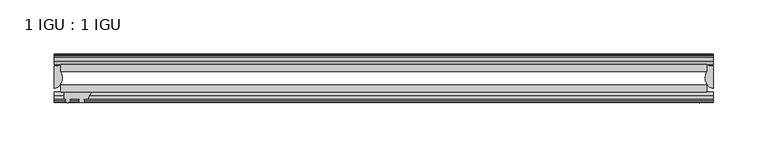
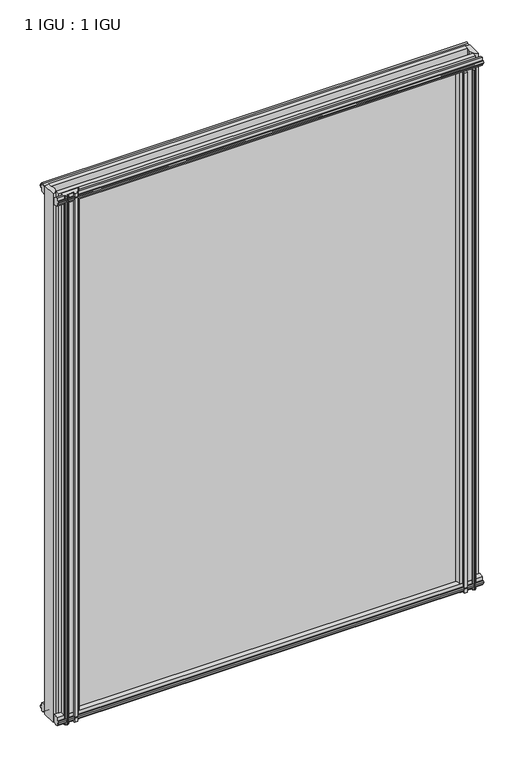
"""IFC4 building model written with IfcOpenShell, lengths in millimetres: plate geometry, 1 IGU : 1 IGU."""

import ifcopenshell
import ifcopenshell.guid

model = None  # the IFC model being written
_history = None  # IfcOwnerHistory: only IFC2X3 demands one
_inside = {}  # id of a spatial element -> (the spatial element, [elements in it])
_under = {}  # id of a project, library or spatial element -> (it, [spatial elements below it])
_declared = {}  # id of a project -> (the project, [libraries it declares])
_typed = {}  # id of a type object -> (the type object, [elements of that type])
_made_of = {}  # id of a material, layer set ... -> (it, [elements and type objects made of it])


def new_model(schema):
    """Start an empty IFC model of exactly this schema.

    Asked for "IFC4X3", IfcOpenShell would pick the latest addendum, in which some entities
    have other attributes; the version numbers below select the first issue.
    IFC2X3 requires an IfcOwnerHistory on every rooted entity: one is made here for all.
    """
    global model, _history
    if schema == "IFC4X3":
        model = ifcopenshell.file(schema_version=(4, 3, 0, 0))
    else:
        model = ifcopenshell.file(schema=schema)
    _inside.clear()
    _under.clear()
    _declared.clear()
    _typed.clear()
    _made_of.clear()
    _history = None
    if model.schema == "IFC2X3":
        org = make("IfcOrganization", Name="unknown")
        user = make(
            "IfcPersonAndOrganization",
            ThePerson=make("IfcPerson", FamilyName="unknown"),
            TheOrganization=org,
        )
        app = make(
            "IfcApplication",
            ApplicationDeveloper=org,
            Version="unknown",
            ApplicationFullName="unknown",
            ApplicationIdentifier="unknown",
        )
        _history = make(
            "IfcOwnerHistory",
            OwningUser=user,
            OwningApplication=app,
            ChangeAction="ADDED",
            CreationDate=0,
        )
    return model


def make(cls, **values):
    """One entity of the class cls with the attributes given. An attribute that is None is left unset."""
    return model.create_entity(
        cls, **{name: value for name, value in values.items() if value is not None}
    )


def rooted(cls, **values):
    """An entity with a GlobalId (a new one), such as an element, a storey or a relation."""
    return make(cls, GlobalId=ifcopenshell.guid.new(), OwnerHistory=_history, **values)


def si_unit(unit_type, name, prefix=None):
    """IfcSIUnit, for example si_unit("LENGTHUNIT", "METRE", prefix="MILLI")."""
    return make("IfcSIUnit", UnitType=unit_type, Prefix=prefix, Name=name)


def assignment(units):
    """IfcUnitAssignment: the units of a project."""
    return None if units is None else make("IfcUnitAssignment", Units=units)


def point(xyz):
    """IfcCartesianPoint."""
    return None if xyz is None else make("IfcCartesianPoint", Coordinates=xyz)


def direction(xyz):
    """IfcDirection."""
    return None if xyz is None else make("IfcDirection", DirectionRatios=xyz)


def frame(location, z_axis=None, x_axis=None):
    """IfcAxis2Placement3D, a coordinate frame: its origin and axes. An axis left out is left unset."""
    return make(
        "IfcAxis2Placement3D",
        Location=point(location),
        Axis=direction(z_axis),
        RefDirection=direction(x_axis),
    )


def frame_2d(location, x_axis=None):
    """IfcAxis2Placement2D, a coordinate frame in the plane: its origin and x axis."""
    return make(
        "IfcAxis2Placement2D", Location=point(location), RefDirection=direction(x_axis)
    )


def origin():
    """The frame at (0, 0, 0) with its axes left unset."""
    return frame((0.0, 0.0, 0.0))


def place(relative_to, where):
    """IfcLocalPlacement: puts the frame where relative to a parent placement (None: the world)."""
    return make(
        "IfcLocalPlacement", PlacementRelTo=relative_to, RelativePlacement=where
    )


def context(
    kind, dimensions, precision=None, world=None, true_north=None, identifier=None
):
    """IfcGeometricRepresentationContext, for example the 3D "Model" context."""
    return make(
        "IfcGeometricRepresentationContext",
        ContextIdentifier=identifier,
        ContextType=kind,
        CoordinateSpaceDimension=dimensions,
        Precision=precision,
        WorldCoordinateSystem=world,
        TrueNorth=true_north,
    )


def project(units=None, contexts=None):
    """IfcProject with its units and contexts."""
    return rooted(
        "IfcProject",
        Name="project",
        RepresentationContexts=contexts,
        UnitsInContext=assignment(units),
    )


def spatial(cls, under=None, at=None, **own):
    """A site, building, storey or space (cls), placed at a placement, below another one or the project."""
    s = rooted(cls, ObjectPlacement=at, **own)
    if under is not None:
        _under.setdefault(under.id(), (under, []))[1].append(s)
    return s


def polyline(points):
    """IfcPolyline through the points."""
    return make("IfcPolyline", Points=[point(p) for p in points])


def circle_curve(where, radius):
    """IfcCircle in the frame where."""
    return make("IfcCircle", Position=where, Radius=radius)


def ellipse_curve(where, semi_axis1, semi_axis2):
    """IfcEllipse in the frame where."""
    return make(
        "IfcEllipse", Position=where, SemiAxis1=semi_axis1, SemiAxis2=semi_axis2
    )


def trimmed(basis, trim1, trim2, sense, master):
    """IfcTrimmedCurve: the piece of a basis curve between two trims."""
    return make(
        "IfcTrimmedCurve",
        BasisCurve=basis,
        Trim1=trim1,
        Trim2=trim2,
        SenseAgreement=sense,
        MasterRepresentation=master,
    )


def segment(curve, same_sense, transition):
    """IfcCompositeCurveSegment."""
    return make(
        "IfcCompositeCurveSegment",
        Transition=transition,
        SameSense=same_sense,
        ParentCurve=curve,
    )


def composite_curve(segments, self_intersect=None):
    """IfcCompositeCurve: segments joined end to end."""
    return make("IfcCompositeCurve", Segments=segments, SelfIntersect=self_intersect)


def outline(outer, holes=None, kind="AREA"):
    """IfcArbitraryClosedProfileDef: a profile drawn as a closed curve; with holes, ...WithVoids."""
    if holes is None:
        return make("IfcArbitraryClosedProfileDef", ProfileType=kind, OuterCurve=outer)
    return make(
        "IfcArbitraryProfileDefWithVoids",
        ProfileType=kind,
        OuterCurve=outer,
        InnerCurves=holes,
    )


def extrude(swept, where, along, depth):
    """IfcExtrudedAreaSolid: the profile swept, set in the frame where, extruded along a direction by depth."""
    return make(
        "IfcExtrudedAreaSolid",
        SweptArea=swept,
        Position=where,
        ExtrudedDirection=direction(along),
        Depth=depth,
    )


def shape(context_of_items, identifier, shape_type, items):
    """IfcShapeRepresentation: the items that make up one representation, for example the "Body"."""
    return make(
        "IfcShapeRepresentation",
        ContextOfItems=context_of_items,
        RepresentationIdentifier=identifier,
        RepresentationType=shape_type,
        Items=items,
    )


def source(mapping_origin, context_of_items, identifier, shape_type, items):
    """IfcRepresentationMap: a shape defined once, which mapped items show again and again."""
    return make(
        "IfcRepresentationMap",
        MappingOrigin=mapping_origin,
        MappedRepresentation=shape(context_of_items, identifier, shape_type, items),
    )


def transform(
    local_origin,
    x_axis=None,
    y_axis=None,
    z_axis=None,
    scale=None,
    scale2=None,
    scale3=None,
    uniform=True,
):
    """IfcCartesianTransformationOperator3D, or its non-uniform kind. x_axis, y_axis, z_axis: its Axis1, 2, 3."""
    if uniform:
        return make(
            "IfcCartesianTransformationOperator3D",
            Axis1=direction(x_axis),
            Axis2=direction(y_axis),
            LocalOrigin=point(local_origin),
            Scale=scale,
            Axis3=direction(z_axis),
        )
    return make(
        "IfcCartesianTransformationOperator3DnonUniform",
        Axis1=direction(x_axis),
        Axis2=direction(y_axis),
        LocalOrigin=point(local_origin),
        Scale=scale,
        Axis3=direction(z_axis),
        Scale2=scale2,
        Scale3=scale3,
    )


def mapped(mapping_source, mapping_target):
    """IfcMappedItem: shows the shape of a source again, moved by a transform."""
    return make(
        "IfcMappedItem", MappingSource=mapping_source, MappingTarget=mapping_target
    )


def made_of(thing, what):
    """Note that an element or type object is made of a material, layer set ...; save() writes the relation."""
    if what is not None:
        _made_of.setdefault(what.id(), (what, []))[1].append(thing)
    return thing


def element(
    cls,
    number,
    at=None,
    inside=None,
    cuts=None,
    type_object=None,
    material=None,
    context=None,
    identifier="Body",
    shape_type=None,
    held_by="IfcProductDefinitionShape",
    body=None,
    shapes=None,
    **own,
):
    """One element of the class cls, such as IfcWall. Its Tag is "e" and its number.

    at: its placement. inside: the storey or other place that contains it. cuts: it is an
    opening in that element (IfcRelVoidsElement). A single representation is given by context,
    identifier, shape_type and body (its items); several are given by shapes. held_by: the class
    of the entity that holds the representations. save() writes the other relations.
    """
    e = rooted(cls, Tag="e%d" % number, ObjectPlacement=at, **own)
    if body is not None:
        shapes = [shape(context, identifier, shape_type, body)]
    if shapes is not None:
        e.Representation = make(held_by, Representations=shapes)
    if inside is not None:
        _inside.setdefault(inside.id(), (inside, []))[1].append(e)
    if cuts is not None:
        rooted(
            "IfcRelVoidsElement", RelatingBuildingElement=cuts, RelatedOpeningElement=e
        )
    if type_object is not None:
        _typed.setdefault(type_object.id(), (type_object, []))[1].append(e)
    return made_of(e, material)


def aggregate(whole, parts):
    """IfcRelAggregates: a whole, such as a stair, and the parts it consists of."""
    return rooted("IfcRelAggregates", RelatingObject=whole, RelatedObjects=parts)


def save(model, path):
    """Write the relations noted so far, then the file.

    IfcRelAggregates (storeys below a building ...), IfcRelContainedInSpatialStructure (elements
    in a storey), IfcRelDefinesByType, IfcRelAssociatesMaterial and IfcRelDeclares: one each for
    every whole, place, type object, material and project.
    """
    for whole, parts in _under.values():
        aggregate(whole, parts)
    for where, things in _inside.values():
        rooted(
            "IfcRelContainedInSpatialStructure",
            RelatedElements=things,
            RelatingStructure=where,
        )
    for kind, things in _typed.values():
        rooted("IfcRelDefinesByType", RelatedObjects=things, RelatingType=kind)
    for what, things in _made_of.values():
        rooted("IfcRelAssociatesMaterial", RelatedObjects=things, RelatingMaterial=what)
    for by, libraries in _declared.values():
        rooted("IfcRelDeclares", RelatingContext=by, RelatedDefinitions=libraries)
    model.write(path)


def plane_surface(at):
    """IfcPlane: the flat surface through the origin of the frame at, square to its z axis."""
    return make("IfcPlane", Position=at)


def cylinder_surface(at, radius):
    """IfcCylindricalSurface: all points at the distance radius from the z axis of the frame at."""
    return make("IfcCylindricalSurface", Position=at, Radius=radius)


def revolved_surface(curve, axis_point, axis_direction):
    """IfcSurfaceOfRevolution: the curve turned about the line through axis_point along axis_direction."""
    return make(
        "IfcSurfaceOfRevolution",
        SweptCurve=make("IfcArbitraryOpenProfileDef", ProfileType="CURVE", Curve=curve),
        AxisPosition=make("IfcAxis1Placement", Location=point(axis_point), Axis=direction(axis_direction)),
    )


def extruded_surface(curve, direction_of_extrusion, depth):
    """IfcSurfaceOfLinearExtrusion: the curve pushed along a direction by depth."""
    return make(
        "IfcSurfaceOfLinearExtrusion",
        SweptCurve=make("IfcArbitraryOpenProfileDef", ProfileType="CURVE", Curve=curve),
        ExtrudedDirection=direction(direction_of_extrusion),
        Depth=depth,
    )


def advanced_brep(points, edges, surfaces, faces):
    """IfcAdvancedBrep: a solid bounded by faces that lie on surfaces and meet in shared edges.

    An edge is (start, end): straight between two places in points (the first is 0);
    or (start, end, curve); or (start, end, curve, False) where it runs against its curve.
    A face is (place in surfaces, loops), or (place, loops, False) where it looks against
    its surface's normal. A loop lists edges by number (the first is 1), with a minus sign
    where the edge is run from its end to its start. The first loop is the outer one.
    """
    corners = [point(p) for p in points]
    vertices = [make("IfcVertexPoint", VertexGeometry=c) for c in corners]
    made = []
    for start, end, *more in edges:
        made.append(
            make(
                "IfcEdgeCurve",
                EdgeStart=vertices[start],
                EdgeEnd=vertices[end],
                EdgeGeometry=more[0] if more else make("IfcPolyline", Points=[corners[start], corners[end]]),
                SameSense=more[1] if len(more) > 1 else True,
            )
        )
    hull = []
    for where, loops, *sense in faces:
        bounds = []
        for j, loop in enumerate(loops):
            ring = [make("IfcOrientedEdge", EdgeElement=made[abs(k) - 1], Orientation=k > 0) for k in loop]
            bounds.append(
                make(
                    "IfcFaceOuterBound" if j == 0 else "IfcFaceBound",
                    Bound=make("IfcEdgeLoop", EdgeList=ring),
                    Orientation=True,
                )
            )
        hull.append(make("IfcAdvancedFace", Bounds=bounds, FaceSurface=surfaces[where], SameSense=sense[0] if sense else True))
    return make("IfcAdvancedBrep", Outer=make("IfcClosedShell", CfsFaces=hull))


def plate_1_igu_1_igu_51b72925(model_context):
    return source(origin(), model_context, "Body", "SolidModel", [
        extrude(outline(polyline([(-298.45, -38.6468937), (298.45, -38.6468937), (298.45, -44.9460938), (-298.45, -44.9460938), (-298.45, -38.6468937)])), frame((0.0, 0.0, -12.7), z_axis=(0.0, 0.0, 1.0), x_axis=(1.0, 0.0, 0.0)), (0.0, 0.0, 1.0), 800.0872996),
        extrude(outline(polyline([(-298.45, -19.5460937), (298.45, -19.5460937), (298.45, -25.8960938), (-298.45, -25.8960938), (-298.45, -19.5460937)])), frame((0.0, 0.0, -12.7), z_axis=(0.0, 0.0, 1.0), x_axis=(1.0, 0.0, 0.0)), (0.0, 0.0, 1.0), 800.0872996),
        advanced_brep(
        [(304.8, -21.1709383, -12.4587), (304.8, -41.5384061, -12.4587), (297.2776629, -32.2460938, -12.4587), (298.45, -25.8452938, -12.4587), (298.45, -19.5460938, -12.4587), (304.8, -21.1709383, 787.3872996), (298.45, -19.5460938, 787.3872996), (298.45, -25.8452938, 787.3872996), (297.2776629, -32.2460938, 787.3872996), (304.8, -41.5384061, 787.3872996)],
        [
            (0, 1),
            (1, 2, ellipse_curve(frame((304.8, -32.2460938, -12.4587), z_axis=(0.0, 0.0, -1.0), x_axis=(0.0, -1.0, 0.0)), 9.2923124, 7.5223371)),
            (2, 3, circle_curve(frame((315.3375763, -32.2460938, -12.4587), z_axis=(0.0, 0.0, -1.0), x_axis=(1.0, 0.0, 0.0)), 18.0599135)),
            (3, 4),
            (4, 0, circle_curve(frame((304.8, -7.950406, -12.4587), z_axis=(0.0, 0.0, 1.0), x_axis=(1.0, 0.0, 0.0)), 13.2205323)),
            (5, 6, circle_curve(frame((304.8, -7.950406, 787.3872996), z_axis=(0.0, 0.0, -1.0), x_axis=(1.0, 0.0, 0.0)), 13.2205323)),
            (6, 7),
            (7, 8, circle_curve(frame((315.3375763, -32.2460938, 787.3872996), z_axis=(0.0, 0.0, 1.0), x_axis=(1.0, 0.0, 0.0)), 18.0599135)),
            (8, 9, ellipse_curve(frame((304.8, -32.2460938, 787.3872996), z_axis=(0.0, 0.0, 1.0), x_axis=(0.0, -1.0, 0.0)), 9.2923124, 7.5223371)),
            (9, 5),
            (1, 9),
            (8, 2),
            (7, 3),
            (6, 4),
            (5, 0),
        ],
        [
            plane_surface(frame((304.8, -13.1960938, -12.4587), z_axis=(0.0, 0.0, -1.0), x_axis=(0.0, 1.0, 0.0))),
            plane_surface(frame((304.8, -13.1960938, 787.3872996), z_axis=(0.0, 0.0, 1.0), x_axis=(0.0, 1.0, 0.0))),
            extruded_surface(trimmed(ellipse_curve(frame((304.8, -32.2460938, 787.3872996), z_axis=(0.0, 0.0, -1.0), x_axis=(0.0, -1.0, 0.0)), 9.2923124, 7.5223371), [point((304.8, -41.5384061, 787.3872996))], [point((297.2776629, -32.2460938, 787.3872996))], True, "CARTESIAN"), (0.0, 0.0, -799.8459996), 799.8459996),
            cylinder_surface(frame((315.3375763, -32.2460938, -12.4587), z_axis=(0.0, 0.0, -1.0), x_axis=(1.0, 0.0, 0.0)), 18.0599135),
            plane_surface(frame((298.45, -25.8452938, -12.4587), z_axis=(-1.0, 0.0, 0.0), x_axis=(0.0, 0.0, 1.0))),
            revolved_surface(polyline([(318.0205323, -7.950406, 787.3872996), (318.0205323, -7.950406, -12.4587)]), (304.8, -7.950406, -12.4587), (0.0, 0.0, 1.0)),
            plane_surface(frame((304.8, -21.1709383, -12.4587), z_axis=(1.0, 0.0, 0.0), x_axis=(0.0, 0.0, 1.0))),
        ],
        [
            (0, [[1, 2, 3, 4, 5]]),
            (1, [[6, 7, 8, 9, 10]]),
            (2, [[-2, 11, -9, 12]]),
            (3, [[-3, -12, -8, 13]]),
            (4, [[-4, -13, -7, 14]]),
            (5, [[-5, -14, -6, 15]]),
            (6, [[-1, -15, -10, -11]]),
        ],
    ),
        advanced_brep(
        [(-304.8, -21.1706006, -12.7), (-298.4513881, -19.5461438, -12.7), (-298.4513881, -25.8549351, -12.7), (-297.2760369, -32.21431, -12.7), (-304.8, -41.5384043, -12.7), (-304.8, -21.1706006, 787.3872996), (-304.8, -41.5384043, 787.3872996), (-297.2760369, -32.21431, 787.3872996), (-298.4513881, -25.8549351, 787.3872996), (-298.4513881, -19.5461438, 787.3872996)],
        [
            (0, 1, circle_curve(frame((-304.8005694, -7.9505008, -12.7), z_axis=(0.0, 0.0, 1.0), x_axis=(1.0, 0.0, 0.0)), 13.2200998)),
            (1, 2),
            (2, 3, circle_curve(frame((-315.3384012, -32.2643264, -12.7), z_axis=(0.0, 0.0, -1.0), x_axis=(1.0, 0.0, 0.0)), 18.0624336)),
            (3, 4, ellipse_curve(frame((-304.7991671, -32.2460921, -12.7), z_axis=(0.0, 0.0, -1.0), x_axis=(0.0, -1.0, 0.0)), 9.2923123, 7.5231742)),
            (4, 0),
            (5, 6),
            (6, 7, ellipse_curve(frame((-304.7991671, -32.2460921, 787.3872996), z_axis=(0.0, 0.0, 1.0), x_axis=(0.0, -1.0, 0.0)), 9.2923123, 7.5231742)),
            (7, 8, circle_curve(frame((-315.3384012, -32.2643264, 787.3872996), z_axis=(0.0, 0.0, 1.0), x_axis=(1.0, 0.0, 0.0)), 18.0624336)),
            (8, 9),
            (9, 5, circle_curve(frame((-304.8005694, -7.9505008, 787.3872996), z_axis=(0.0, 0.0, -1.0), x_axis=(1.0, 0.0, 0.0)), 13.2200998)),
            (0, 5),
            (9, 1),
            (8, 2),
            (7, 3),
            (6, 4),
        ],
        [
            plane_surface(frame((-304.8, -13.1960937, -12.7), z_axis=(0.0, 0.0, -1.0), x_axis=(0.0, 1.0, 0.0))),
            plane_surface(frame((-304.8, -13.1960937, 787.3872996), z_axis=(0.0, 0.0, 1.0), x_axis=(0.0, 1.0, 0.0))),
            revolved_surface(polyline([(-291.58046959999996, -7.9505008, 787.3872996), (-291.58046959999996, -7.9505008, -12.7)]), (-304.8005694, -7.9505008, -12.7), (0.0, 0.0, 1.0)),
            plane_surface(frame((-298.4513881, -19.5461438, -12.7), z_axis=(1.0, 0.0, 0.0), x_axis=(0.0, 0.0, 1.0))),
            cylinder_surface(frame((-315.3384012, -32.2643264, -12.7), z_axis=(0.0, 0.0, -1.0), x_axis=(1.0, 0.0, 0.0)), 18.0624336),
            extruded_surface(trimmed(ellipse_curve(frame((-304.7991671, -32.2460921, 787.3872996), z_axis=(0.0, 0.0, -1.0), x_axis=(0.0, -1.0, 0.0)), 9.2923123, 7.5231742), [point((-297.2760369, -32.21431, 787.3872996))], [point((-304.8, -41.5384043, 787.3872996))], True, "CARTESIAN"), (0.0, 0.0, -800.0872996), 800.0872996),
            plane_surface(frame((-304.8, -41.5384043, -12.7), z_axis=(-1.0, 0.0, 0.0), x_axis=(0.0, 0.0, 1.0))),
        ],
        [
            (0, [[1, 2, 3, 4, 5]]),
            (1, [[6, 7, 8, 9, 10]]),
            (2, [[-1, 11, -10, 12]]),
            (3, [[-2, -12, -9, 13]]),
            (4, [[-3, -13, -8, 14]]),
            (5, [[-4, -14, -7, 15]]),
            (6, [[-5, -15, -6, -11]]),
        ],
    ),
        extrude(outline(polyline([(-44.9460937, 1.7177181), (-44.9460937, -9.1036578), (-48.3496937, -11.938), (-51.2960937, -11.938), (-51.2960937, -7.493), (-53.6762907, -7.112), (-53.2163575, -8.5275291), (-54.0175717, -8.5275291), (-54.7250937, -6.35), (-54.0175717, -4.1724709), (-53.2163575, -4.1724709), (-53.6762907, -5.588), (-51.2960937, -5.207), (-51.2960937, 0.0), (-44.9460937, 1.7177181)])), frame((-304.8, 0.0, 0.0), z_axis=(1.0, 0.0, 0.0), x_axis=(0.0, 1.0, 0.0)), (0.0, 0.0, 1.0), 609.6),
        extrude(outline(polyline([(-13.1960937, -12.4587), (-16.1424937, -12.4587), (-19.5460937, -9.6243578), (-19.5460937, 1.1970181), (-13.1960937, -0.5207), (-13.1960937, -5.7277), (-10.8158968, -6.1087), (-11.27583, -4.6931709), (-10.4746158, -4.6931709), (-9.7670937, -6.8707), (-10.4746158, -9.0482291), (-11.27583, -9.0482291), (-10.8158968, -7.6327), (-13.1960937, -8.0137), (-13.1960937, -12.4587)])), frame((-304.8, 0.0, 0.0), z_axis=(1.0, 0.0, 0.0), x_axis=(0.0, 1.0, 0.0)), (0.0, 0.0, 1.0), 609.6),
        extrude(outline(polyline([(-51.2960937, 786.6252996), (-48.3496937, 786.6252996), (-44.9460937, 783.7909574), (-44.9460937, 772.9695815), (-51.2960937, 774.6872996), (-51.2960937, 779.8942996), (-53.6762907, 780.2752996), (-53.2163575, 778.8597705), (-54.0175717, 778.8597705), (-54.7250937, 781.0372996), (-54.0175717, 783.2148286), (-53.2163575, 783.2148286), (-53.6762907, 781.7992996), (-51.2960937, 782.1802996), (-51.2960937, 786.6252996)])), frame((-304.8, 0.0, 0.0), z_axis=(1.0, 0.0, 0.0), x_axis=(0.0, 1.0, 0.0)), (0.0, 0.0, 1.0), 609.6),
        extrude(outline(polyline([(-19.5460937, 773.4902815), (-19.5460937, 784.3116574), (-16.1424937, 787.1459996), (-13.1960937, 787.1459996), (-13.1960937, 782.7009996), (-10.8158968, 782.3199996), (-11.27583, 783.7355286), (-10.4746158, 783.7355286), (-9.7670937, 781.5579996), (-10.4746158, 779.3804705), (-11.27583, 779.3804705), (-10.8158968, 780.7959996), (-13.1960937, 780.4149996), (-13.1960937, 775.2079996), (-19.5460937, 773.4902815)])), frame((-304.8, 0.0, 0.0), z_axis=(1.0, 0.0, 0.0), x_axis=(0.0, 1.0, 0.0)), (0.0, 0.0, 1.0), 609.6),
        extrude(outline(composite_curve([segment(polyline([(295.2750002, -44.9460938), (295.2750002, -51.2960938), (293.6240002, -51.2960938), (293.6240002, -52.9470938), (294.7016309, -52.9470938)]), True, "CONTINUOUS"), segment(trimmed(circle_curve(frame_2d((293.6240002, -52.9470938)), 1.0776307), [point((294.7016309, -52.9470938))], [point((294.3860002, -53.7090938))], False, "CARTESIAN"), True, "CONTINUOUS"), segment(polyline([(294.3860002, -53.7090938), (292.6467077, -54.8194621)]), True, "CONTINUOUS"), segment(trimmed(circle_curve(frame_2d((292.1000002, -53.9630938)), 1.016), [point((292.6467077, -54.8194621))], [point((291.5532926, -54.8194621))], False, "CARTESIAN"), True, "CONTINUOUS"), segment(polyline([(291.5532926, -54.8194621), (289.8140002, -53.7090938)]), True, "CONTINUOUS"), segment(trimmed(circle_curve(frame_2d((290.5760002, -52.9470938)), 1.0776307), [point((289.8140002, -53.7090938))], [point((289.4983694, -52.9470938))], False, "CARTESIAN"), True, "CONTINUOUS"), segment(polyline([(289.4983694, -52.9470938), (290.5760002, -52.9470938), (290.5760002, -51.2960938), (281.5082002, -51.2960938)]), True, "CONTINUOUS"), segment(trimmed(circle_curve(frame_2d((281.5082002, -51.7532938)), 0.4572), [point((281.5082002, -51.2960938))], [point((281.1693823, -52.0602698))], True, "CARTESIAN"), True, "CONTINUOUS"), segment(trimmed(circle_curve(frame_2d((279.4000002, -53.663367)), 2.3876), [point((281.1693823, -52.0602698))], [point((281.4706432, -54.8520938))], False, "CARTESIAN"), True, "CONTINUOUS"), segment(polyline([(281.4706432, -54.8520938), (277.3293572, -54.8520938)]), True, "CONTINUOUS"), segment(trimmed(circle_curve(frame_2d((279.4000002, -53.663367)), 2.3876), [point((277.3293572, -54.8520938))], [point((277.630618, -52.0602698))], False, "CARTESIAN"), True, "CONTINUOUS"), segment(trimmed(circle_curve(frame_2d((277.2918002, -51.7532938)), 0.4572), [point((277.630618, -52.0602698))], [point((277.2918002, -51.2960938))], True, "CARTESIAN"), True, "CONTINUOUS"), segment(polyline([(277.2918002, -51.2960938), (273.0500002, -51.2960938)]), True, "CONTINUOUS"), segment(trimmed(circle_curve(frame_2d((264.0340687, -51.9750196)), 9.0414579), [point((273.0500002, -51.2960938))], [point((269.7210856, -44.9460938))], True, "CARTESIAN"), True, "CONTINUOUS"), segment(polyline([(269.7210856, -44.9460938), (295.2750002, -44.9460938)]), True, "CONTINUOUS")], self_intersect=False)), frame((0.0, 0.0, -12.7), z_axis=(0.0, 0.0, 1.0), x_axis=(1.0, 0.0, 0.0)), (0.0, 0.0, 1.0), 787.3872996),
        extrude(outline(composite_curve([segment(trimmed(circle_curve(frame_2d((-264.0340687, -51.9750196)), 9.0414579), [point((-269.7210856, -44.9460938))], [point((-273.0500002, -51.2960938))], True, "CARTESIAN"), True, "CONTINUOUS"), segment(polyline([(-273.0500002, -51.2960938), (-277.2918002, -51.2960938)]), True, "CONTINUOUS"), segment(trimmed(circle_curve(frame_2d((-277.2918002, -51.7532938)), 0.4572), [point((-277.2918002, -51.2960938))], [point((-277.630618, -52.0602698))], True, "CARTESIAN"), True, "CONTINUOUS"), segment(trimmed(circle_curve(frame_2d((-279.4000002, -53.663367)), 2.3876), [point((-277.630618, -52.0602698))], [point((-277.3293572, -54.8520938))], False, "CARTESIAN"), True, "CONTINUOUS"), segment(polyline([(-277.3293572, -54.8520938), (-281.4706432, -54.8520938)]), True, "CONTINUOUS"), segment(trimmed(circle_curve(frame_2d((-279.4000002, -53.663367)), 2.3876), [point((-281.4706432, -54.8520938))], [point((-281.1693823, -52.0602698))], False, "CARTESIAN"), True, "CONTINUOUS"), segment(trimmed(circle_curve(frame_2d((-281.5082002, -51.7532938)), 0.4572), [point((-281.1693823, -52.0602698))], [point((-281.5082002, -51.2960938))], True, "CARTESIAN"), True, "CONTINUOUS"), segment(polyline([(-281.5082002, -51.2960938), (-290.5760002, -51.2960938), (-290.5760002, -52.9470938), (-289.4983694, -52.9470938)]), True, "CONTINUOUS"), segment(trimmed(circle_curve(frame_2d((-290.5760002, -52.9470938)), 1.0776307), [point((-289.4983694, -52.9470938))], [point((-289.8140002, -53.7090938))], False, "CARTESIAN"), True, "CONTINUOUS"), segment(polyline([(-289.8140002, -53.7090938), (-291.5532926, -54.8194621)]), True, "CONTINUOUS"), segment(trimmed(circle_curve(frame_2d((-292.1000002, -53.9630938)), 1.016), [point((-291.5532926, -54.8194621))], [point((-292.6467077, -54.8194621))], False, "CARTESIAN"), True, "CONTINUOUS"), segment(polyline([(-292.6467077, -54.8194621), (-294.3860002, -53.7090938)]), True, "CONTINUOUS"), segment(trimmed(circle_curve(frame_2d((-293.6240002, -52.9470938)), 1.0776307), [point((-294.3860002, -53.7090938))], [point((-294.7016309, -52.9470938))], False, "CARTESIAN"), True, "CONTINUOUS"), segment(polyline([(-294.7016309, -52.9470938), (-293.6240002, -52.9470938), (-293.6240002, -51.2960938), (-295.2750002, -51.2960938), (-295.2750002, -44.9460938), (-269.7210856, -44.9460938)]), True, "CONTINUOUS")], self_intersect=False)), frame((0.0, 0.0, -12.7), z_axis=(0.0, 0.0, 1.0), x_axis=(1.0, 0.0, 0.0)), (0.0, 0.0, 1.0), 800.0872997),
    ])


if __name__ == "__main__":
    model = new_model("IFC4")
    model_context = context("Model", 3, world=origin())
    ifc_project = project(units=[si_unit("LENGTHUNIT", "METRE", prefix="MILLI")], contexts=[model_context])
    site = spatial("IfcSite", under=ifc_project)
    building = spatial("IfcBuilding", under=site)
    placement = place(None, origin())
    plate_1_igu_1_igu_shape = plate_1_igu_1_igu_51b72925(model_context)
    element("IfcPlate", 1, ObjectType="1 IGU : 1 IGU", at=placement, inside=building, context=model_context, shape_type="MappedRepresentation", body=[
        mapped(plate_1_igu_1_igu_shape, transform((0.0, 0.0, 0.0), x_axis=(1.0, 0.0, 0.0), y_axis=(0.0, 1.0, 0.0), z_axis=(0.0, 0.0, 1.0))),
    ])
    save(model, "model.ifc")
